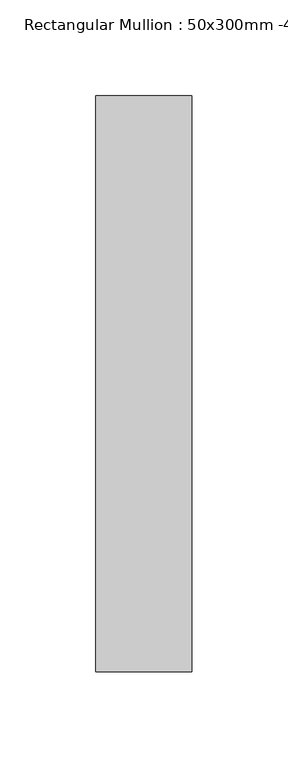
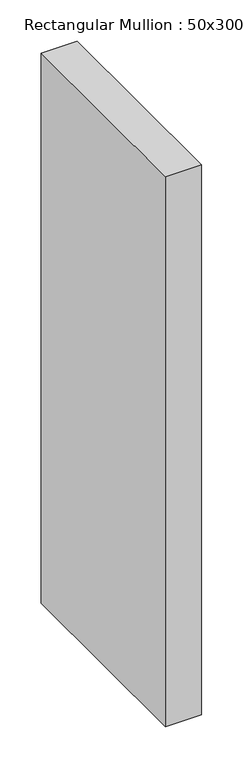
"""IFC4 building model written with IfcOpenShell, lengths in millimetres: member geometry, Rectangular Mullion : 50x300mm -45 2."""

import ifcopenshell
import ifcopenshell.guid

model = None  # the IFC model being written
_history = None  # IfcOwnerHistory: only IFC2X3 demands one
_inside = {}  # id of a spatial element -> (the spatial element, [elements in it])
_under = {}  # id of a project, library or spatial element -> (it, [spatial elements below it])
_declared = {}  # id of a project -> (the project, [libraries it declares])
_typed = {}  # id of a type object -> (the type object, [elements of that type])
_made_of = {}  # id of a material, layer set ... -> (it, [elements and type objects made of it])


def new_model(schema):
    """Start an empty IFC model of exactly this schema.

    Asked for "IFC4X3", IfcOpenShell would pick the latest addendum, in which some entities
    have other attributes; the version numbers below select the first issue.
    IFC2X3 requires an IfcOwnerHistory on every rooted entity: one is made here for all.
    """
    global model, _history
    if schema == "IFC4X3":
        model = ifcopenshell.file(schema_version=(4, 3, 0, 0))
    else:
        model = ifcopenshell.file(schema=schema)
    _inside.clear()
    _under.clear()
    _declared.clear()
    _typed.clear()
    _made_of.clear()
    _history = None
    if model.schema == "IFC2X3":
        org = make("IfcOrganization", Name="unknown")
        user = make(
            "IfcPersonAndOrganization",
            ThePerson=make("IfcPerson", FamilyName="unknown"),
            TheOrganization=org,
        )
        app = make(
            "IfcApplication",
            ApplicationDeveloper=org,
            Version="unknown",
            ApplicationFullName="unknown",
            ApplicationIdentifier="unknown",
        )
        _history = make(
            "IfcOwnerHistory",
            OwningUser=user,
            OwningApplication=app,
            ChangeAction="ADDED",
            CreationDate=0,
        )
    return model


def make(cls, **values):
    """One entity of the class cls with the attributes given. An attribute that is None is left unset."""
    return model.create_entity(
        cls, **{name: value for name, value in values.items() if value is not None}
    )


def rooted(cls, **values):
    """An entity with a GlobalId (a new one), such as an element, a storey or a relation."""
    return make(cls, GlobalId=ifcopenshell.guid.new(), OwnerHistory=_history, **values)


def si_unit(unit_type, name, prefix=None):
    """IfcSIUnit, for example si_unit("LENGTHUNIT", "METRE", prefix="MILLI")."""
    return make("IfcSIUnit", UnitType=unit_type, Prefix=prefix, Name=name)


def assignment(units):
    """IfcUnitAssignment: the units of a project."""
    return None if units is None else make("IfcUnitAssignment", Units=units)


def point(xyz):
    """IfcCartesianPoint."""
    return None if xyz is None else make("IfcCartesianPoint", Coordinates=xyz)


def direction(xyz):
    """IfcDirection."""
    return None if xyz is None else make("IfcDirection", DirectionRatios=xyz)


def frame(location, z_axis=None, x_axis=None):
    """IfcAxis2Placement3D, a coordinate frame: its origin and axes. An axis left out is left unset."""
    return make(
        "IfcAxis2Placement3D",
        Location=point(location),
        Axis=direction(z_axis),
        RefDirection=direction(x_axis),
    )


def origin():
    """The frame at (0, 0, 0) with its axes left unset."""
    return frame((0.0, 0.0, 0.0))


def place(relative_to, where):
    """IfcLocalPlacement: puts the frame where relative to a parent placement (None: the world)."""
    return make(
        "IfcLocalPlacement", PlacementRelTo=relative_to, RelativePlacement=where
    )


def context(
    kind, dimensions, precision=None, world=None, true_north=None, identifier=None
):
    """IfcGeometricRepresentationContext, for example the 3D "Model" context."""
    return make(
        "IfcGeometricRepresentationContext",
        ContextIdentifier=identifier,
        ContextType=kind,
        CoordinateSpaceDimension=dimensions,
        Precision=precision,
        WorldCoordinateSystem=world,
        TrueNorth=true_north,
    )


def project(units=None, contexts=None):
    """IfcProject with its units and contexts."""
    return rooted(
        "IfcProject",
        Name="project",
        RepresentationContexts=contexts,
        UnitsInContext=assignment(units),
    )


def spatial(cls, under=None, at=None, **own):
    """A site, building, storey or space (cls), placed at a placement, below another one or the project."""
    s = rooted(cls, ObjectPlacement=at, **own)
    if under is not None:
        _under.setdefault(under.id(), (under, []))[1].append(s)
    return s


def polyline(points):
    """IfcPolyline through the points."""
    return make("IfcPolyline", Points=[point(p) for p in points])


def outline(outer, holes=None, kind="AREA"):
    """IfcArbitraryClosedProfileDef: a profile drawn as a closed curve; with holes, ...WithVoids."""
    if holes is None:
        return make("IfcArbitraryClosedProfileDef", ProfileType=kind, OuterCurve=outer)
    return make(
        "IfcArbitraryProfileDefWithVoids",
        ProfileType=kind,
        OuterCurve=outer,
        InnerCurves=holes,
    )


def extrude(swept, where, along, depth):
    """IfcExtrudedAreaSolid: the profile swept, set in the frame where, extruded along a direction by depth."""
    return make(
        "IfcExtrudedAreaSolid",
        SweptArea=swept,
        Position=where,
        ExtrudedDirection=direction(along),
        Depth=depth,
    )


def shape(context_of_items, identifier, shape_type, items):
    """IfcShapeRepresentation: the items that make up one representation, for example the "Body"."""
    return make(
        "IfcShapeRepresentation",
        ContextOfItems=context_of_items,
        RepresentationIdentifier=identifier,
        RepresentationType=shape_type,
        Items=items,
    )


def source(mapping_origin, context_of_items, identifier, shape_type, items):
    """IfcRepresentationMap: a shape defined once, which mapped items show again and again."""
    return make(
        "IfcRepresentationMap",
        MappingOrigin=mapping_origin,
        MappedRepresentation=shape(context_of_items, identifier, shape_type, items),
    )


def transform(
    local_origin,
    x_axis=None,
    y_axis=None,
    z_axis=None,
    scale=None,
    scale2=None,
    scale3=None,
    uniform=True,
):
    """IfcCartesianTransformationOperator3D, or its non-uniform kind. x_axis, y_axis, z_axis: its Axis1, 2, 3."""
    if uniform:
        return make(
            "IfcCartesianTransformationOperator3D",
            Axis1=direction(x_axis),
            Axis2=direction(y_axis),
            LocalOrigin=point(local_origin),
            Scale=scale,
            Axis3=direction(z_axis),
        )
    return make(
        "IfcCartesianTransformationOperator3DnonUniform",
        Axis1=direction(x_axis),
        Axis2=direction(y_axis),
        LocalOrigin=point(local_origin),
        Scale=scale,
        Axis3=direction(z_axis),
        Scale2=scale2,
        Scale3=scale3,
    )


def mapped(mapping_source, mapping_target):
    """IfcMappedItem: shows the shape of a source again, moved by a transform."""
    return make(
        "IfcMappedItem", MappingSource=mapping_source, MappingTarget=mapping_target
    )


def made_of(thing, what):
    """Note that an element or type object is made of a material, layer set ...; save() writes the relation."""
    if what is not None:
        _made_of.setdefault(what.id(), (what, []))[1].append(thing)
    return thing


def element(
    cls,
    number,
    at=None,
    inside=None,
    cuts=None,
    type_object=None,
    material=None,
    context=None,
    identifier="Body",
    shape_type=None,
    held_by="IfcProductDefinitionShape",
    body=None,
    shapes=None,
    **own,
):
    """One element of the class cls, such as IfcWall. Its Tag is "e" and its number.

    at: its placement. inside: the storey or other place that contains it. cuts: it is an
    opening in that element (IfcRelVoidsElement). A single representation is given by context,
    identifier, shape_type and body (its items); several are given by shapes. held_by: the class
    of the entity that holds the representations. save() writes the other relations.
    """
    e = rooted(cls, Tag="e%d" % number, ObjectPlacement=at, **own)
    if body is not None:
        shapes = [shape(context, identifier, shape_type, body)]
    if shapes is not None:
        e.Representation = make(held_by, Representations=shapes)
    if inside is not None:
        _inside.setdefault(inside.id(), (inside, []))[1].append(e)
    if cuts is not None:
        rooted(
            "IfcRelVoidsElement", RelatingBuildingElement=cuts, RelatedOpeningElement=e
        )
    if type_object is not None:
        _typed.setdefault(type_object.id(), (type_object, []))[1].append(e)
    return made_of(e, material)


def aggregate(whole, parts):
    """IfcRelAggregates: a whole, such as a stair, and the parts it consists of."""
    return rooted("IfcRelAggregates", RelatingObject=whole, RelatedObjects=parts)


def save(model, path):
    """Write the relations noted so far, then the file.

    IfcRelAggregates (storeys below a building ...), IfcRelContainedInSpatialStructure (elements
    in a storey), IfcRelDefinesByType, IfcRelAssociatesMaterial and IfcRelDeclares: one each for
    every whole, place, type object, material and project.
    """
    for whole, parts in _under.values():
        aggregate(whole, parts)
    for where, things in _inside.values():
        rooted(
            "IfcRelContainedInSpatialStructure",
            RelatedElements=things,
            RelatingStructure=where,
        )
    for kind, things in _typed.values():
        rooted("IfcRelDefinesByType", RelatedObjects=things, RelatingType=kind)
    for what, things in _made_of.values():
        rooted("IfcRelAssociatesMaterial", RelatedObjects=things, RelatingMaterial=what)
    for by, libraries in _declared.values():
        rooted("IfcRelDeclares", RelatingContext=by, RelatedDefinitions=libraries)
    model.write(path)


def rectangular_mullion_50x300mm_45_2_673ef42f(model_context):
    return source(origin(), model_context, "Body", "SweptSolid", [
        extrude(outline(polyline([(0.0, 195.0), (0.0, -105.0), (-50.0, -105.0), (-50.0, 195.0), (0.0, 195.0)])), frame((0.0, 0.0, -809.8532665), z_axis=(0.0, 0.0, 1.0), x_axis=(1.0, 0.0, 0.0)), (0.0, 0.0, 1.0), 809.8532665),
    ])


if __name__ == "__main__":
    model = new_model("IFC4")
    model_context = context("Model", 3, world=origin())
    ifc_project = project(units=[si_unit("LENGTHUNIT", "METRE", prefix="MILLI")], contexts=[model_context])
    site = spatial("IfcSite", under=ifc_project)
    building = spatial("IfcBuilding", under=site)
    placement = place(None, origin())
    rectangular_mullion_50x300mm_45_2_shape = rectangular_mullion_50x300mm_45_2_673ef42f(model_context)
    element("IfcMember", 1, ObjectType="Rectangular Mullion : 50x300mm -45 2", at=placement, inside=building, context=model_context, shape_type="MappedRepresentation", body=[
        mapped(rectangular_mullion_50x300mm_45_2_shape, transform((0.0, 0.0, 0.0), x_axis=(1.0, 0.0, 0.0), y_axis=(0.0, 1.0, 0.0), z_axis=(0.0, 0.0, 1.0))),
    ])
    save(model, "model.ifc")
